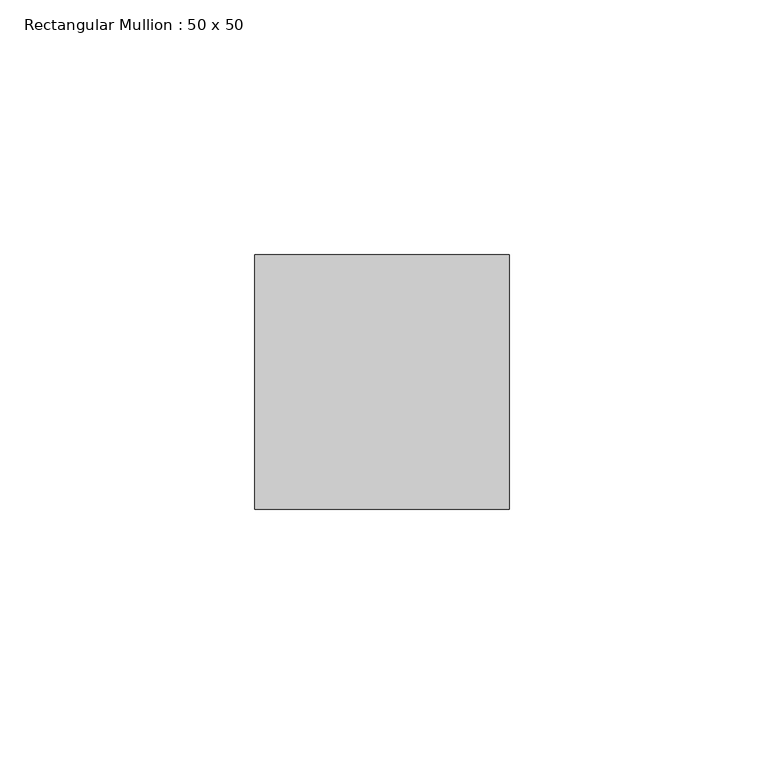
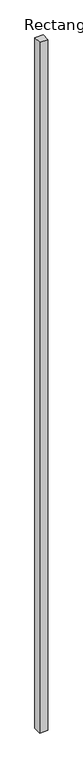
"""IFC4 building model written with IfcOpenShell, lengths in millimetres: member geometry, Rectangular Mullion : 50 x 50."""

from ifc_helpers import new_model, si_unit, frame, origin, place, context, project, spatial, polyline, outline, extrude, source, transform, mapped, element, save


def rectangular_mullion_50_x_50_3179391c(model_context):
    return source(origin(), model_context, "Body", "SweptSolid", [
        extrude(outline(polyline([(25.0, 25.0), (25.0, -25.0), (-25.0, -25.0), (-25.0, 25.0), (25.0, 25.0)])), frame((0.0, 0.0, -4500.0), z_axis=(0.0, 0.0, 1.0), x_axis=(1.0, 0.0, 0.0)), (0.0, 0.0, 1.0), 4500.0),
    ])


if __name__ == "__main__":
    model = new_model("IFC4")
    model_context = context("Model", 3, world=origin())
    ifc_project = project(units=[si_unit("LENGTHUNIT", "METRE", prefix="MILLI")], contexts=[model_context])
    site = spatial("IfcSite", under=ifc_project)
    building = spatial("IfcBuilding", under=site)
    placement = place(None, origin())
    rectangular_mullion_50_x_50_shape = rectangular_mullion_50_x_50_3179391c(model_context)
    element("IfcMember", 1, ObjectType="Rectangular Mullion : 50 x 50", at=placement, inside=building, context=model_context, shape_type="MappedRepresentation", body=[
        mapped(rectangular_mullion_50_x_50_shape, transform((0.0, 0.0, 0.0), x_axis=(1.0, 0.0, 0.0), y_axis=(0.0, 1.0, 0.0), z_axis=(0.0, 0.0, 1.0))),
    ])
    save(model, "model.ifc")
